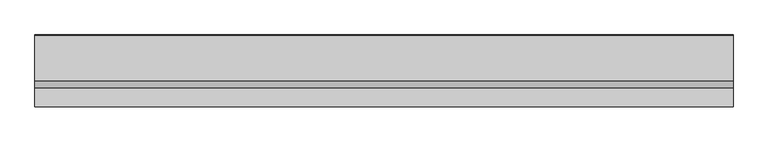
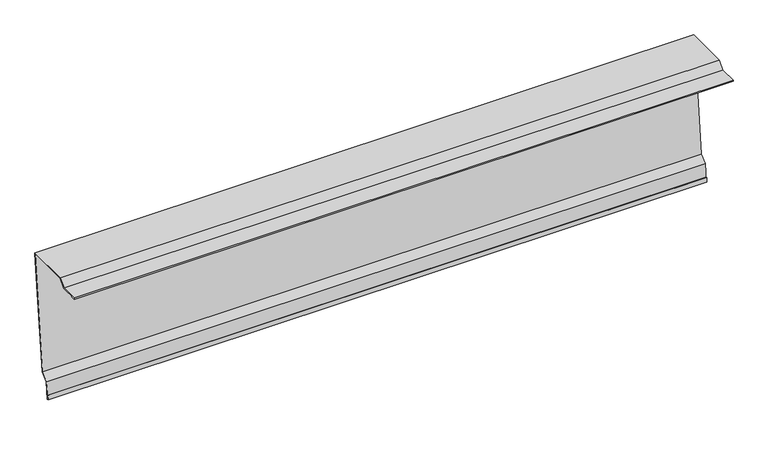
"""IFC4 building model written with IfcOpenShell, lengths in millimetres: proxy geometry."""

from ifc_helpers import new_model, si_unit, origin, place, context, project, spatial, faceted_brep, source, transform, mapped, element, save


def generic_models_9e1ab23a(model_context):
    return source(origin(), model_context, "Body", "Brep", [
        faceted_brep([(0.0, -26.6670969, -303.1473616), (0.0, -22.4859584, -263.3664858), (1500.0, -22.4859584, -263.3664858), (1500.0, -26.6670969, -303.1473616), (0.0, -6.1658932, -250.1507576), (1500.0, -6.1658932, -250.1507576), (0.0, 20.1260109, 0.0), (0.0, 22.2122503, 19.8492424), (1500.0, 22.2122503, 19.8492424), (1500.0, 20.1260109, 0.0), (0.0, 19.1205026, 0.0), (0.0, 21.1016378, 18.8492424), (0.0, -77.3735361, 18.8492424), (0.0, -92.2227785, 4.0), (0.0, -131.6369921, 4.0), (0.0, -131.6369921, 3.0), (0.0, -122.6369921, 3.0), (0.0, -122.6369921, 2.0), (0.0, -132.6369921, 2.0), (0.0, -132.6369921, 5.0), (0.0, -92.6369921, 5.0), (0.0, -77.7877497, 19.8492424), (0.0, -29.6506626, -302.8337762), (0.0, -28.6145231, -292.9755667), (0.0, -27.6200012, -293.0800951), (0.0, -28.5516123, -301.9437828), (0.0, -27.5570904, -302.0483113), (0.0, -23.4371832, -262.8500129), (0.0, -7.117118, -249.6342847), (1500.0, 19.1205026, 0.0), (1500.0, -77.7877497, 19.8492424), (1500.0, -92.6369921, 5.0), (1500.0, -132.6369921, 5.0), (1500.0, -132.6369921, 2.0), (1500.0, -122.6369921, 2.0), (1500.0, -122.6369921, 3.0), (1500.0, -131.6369921, 3.0), (1500.0, -131.6369921, 4.0), (1500.0, -92.2227785, 4.0), (1500.0, -77.3735361, 18.8492424), (1500.0, 21.1016378, 18.8492424), (1500.0, -7.117118, -249.6342847), (1500.0, -23.4371832, -262.8500129), (1500.0, -27.5570904, -302.0483113), (1500.0, -28.5516123, -301.9437828), (1500.0, -27.6200012, -293.0800951), (1500.0, -28.6145231, -292.9755667), (1500.0, -29.6506626, -302.8337762)], [[[0, 1, 2, 3]], [[1, 4, 5, 2]], [[6, 7, 8, 9, 5, 4]], [[6, 10, 11, 12, 13, 14, 15, 16, 17, 18, 19, 20, 21, 7]], [[10, 6, 4, 1, 0, 22, 23, 24, 25, 26, 27, 28]], [[29, 9, 8, 30, 31, 32, 33, 34, 35, 36, 37, 38, 39, 40]], [[9, 29, 41, 42, 43, 44, 45, 46, 47, 3, 2, 5]], [[23, 22, 47, 46]], [[16, 15, 36, 35]], [[24, 23, 46, 45]], [[12, 11, 40, 39]], [[11, 10, 28, 41, 29, 40]], [[28, 27, 42, 41]], [[27, 26, 43, 42]], [[26, 25, 44, 43]], [[25, 24, 45, 44]], [[17, 16, 35, 34]], [[13, 12, 39, 38]], [[14, 13, 38, 37]], [[15, 14, 37, 36]], [[22, 0, 3, 47]], [[18, 17, 34, 33]], [[19, 18, 33, 32]], [[20, 19, 32, 31]], [[21, 20, 31, 30]], [[7, 21, 30, 8]]]),
    ])


if __name__ == "__main__":
    model = new_model("IFC4")
    model_context = context("Model", 3, world=origin())
    ifc_project = project(units=[si_unit("LENGTHUNIT", "METRE", prefix="MILLI")], contexts=[model_context])
    site = spatial("IfcSite", under=ifc_project)
    building = spatial("IfcBuilding", under=site)
    placement = place(None, origin())
    generic_models_shape = generic_models_9e1ab23a(model_context)
    element("IfcBuildingElementProxy", 1, Name="Generic Models", at=placement, inside=building, context=model_context, shape_type="MappedRepresentation", body=[
        mapped(generic_models_shape, transform((0.0, 0.0, 0.0), x_axis=(1.0, 0.0, 0.0), y_axis=(0.0, 1.0, 0.0), z_axis=(0.0, 0.0, 1.0))),
    ])
    save(model, "model.ifc")
